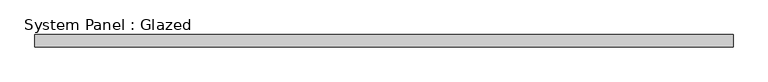
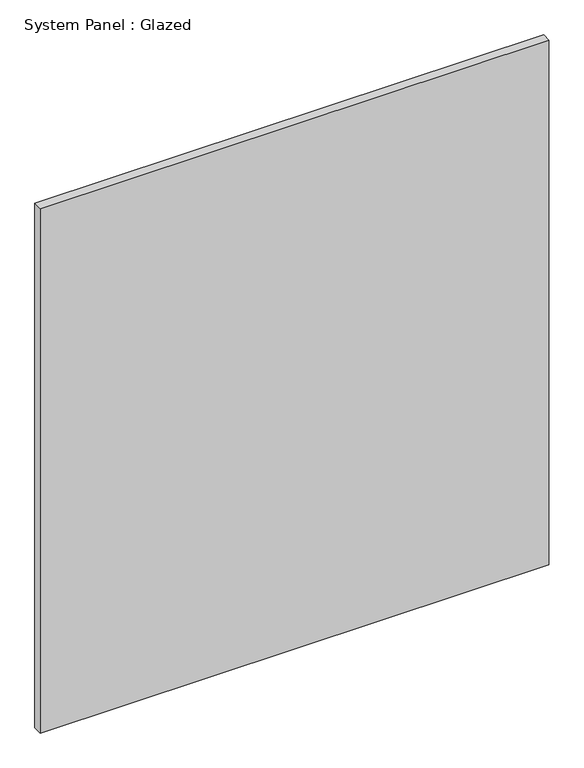
"""IFC4 building model written with IfcOpenShell, lengths in millimetres: plate geometry, System Panel : Glazed."""

from ifc_helpers import new_model, si_unit, origin, origin_with_axes, place, context, project, spatial, polyline, outline, extrude, source, transform, mapped, element, save


def system_panel_glazed_71040f7b(model_context):
    return source(origin(), model_context, "Body", "SweptSolid", [
        extrude(outline(polyline([(699.3421053, 24.5), (-699.3421053, 24.5), (-699.3421053, 49.5), (699.3421053, 49.5), (699.3421053, 24.5)])), origin_with_axes(), (0.0, 0.0, 1.0), 1525.0),
    ])


if __name__ == "__main__":
    model = new_model("IFC4")
    model_context = context("Model", 3, world=origin())
    ifc_project = project(units=[si_unit("LENGTHUNIT", "METRE", prefix="MILLI")], contexts=[model_context])
    site = spatial("IfcSite", under=ifc_project)
    building = spatial("IfcBuilding", under=site)
    placement = place(None, origin())
    system_panel_glazed_shape = system_panel_glazed_71040f7b(model_context)
    element("IfcPlate", 1, ObjectType="System Panel : Glazed", at=placement, inside=building, context=model_context, shape_type="MappedRepresentation", body=[
        mapped(system_panel_glazed_shape, transform((0.0, 0.0, 0.0), x_axis=(1.0, 0.0, 0.0), y_axis=(0.0, 1.0, 0.0), z_axis=(0.0, 0.0, 1.0))),
    ])
    save(model, "model.ifc")
